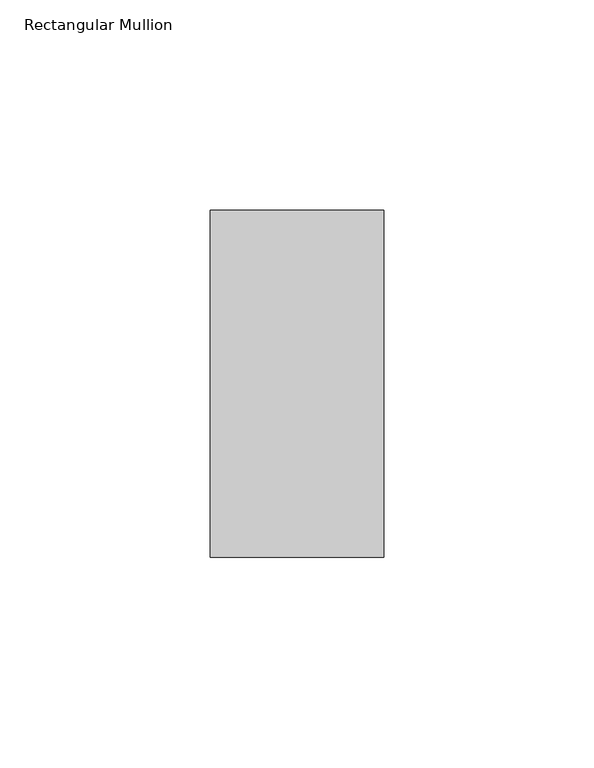
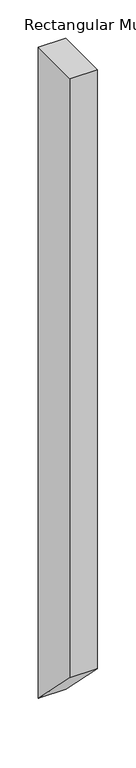
"""IFC4 building model written with IfcOpenShell, lengths in millimetres: member geometry, Rectangular Mullion."""

from ifc_helpers import new_model, si_unit, frame, origin, place, context, project, spatial, polyline, outline, extrude, source, transform, mapped, element, save


def rectangular_mullion_d2991511(model_context):
    return source(origin(), model_context, "Body", "SweptSolid", [
        extrude(outline(polyline([(-73.025, 0.0), (9.525, 0.0), (9.525, -1038.225), (-73.025, -955.675), (-73.025, 0.0)])), frame((-41.275, 0.0, 0.0), z_axis=(1.0, 0.0, 0.0), x_axis=(0.0, 1.0, 0.0)), (0.0, 0.0, 1.0), 41.275),
    ])


if __name__ == "__main__":
    model = new_model("IFC4")
    model_context = context("Model", 3, world=origin())
    ifc_project = project(units=[si_unit("LENGTHUNIT", "METRE", prefix="MILLI")], contexts=[model_context])
    site = spatial("IfcSite", under=ifc_project)
    building = spatial("IfcBuilding", under=site)
    placement = place(None, origin())
    rectangular_mullion_shape = rectangular_mullion_d2991511(model_context)
    element("IfcMember", 1, ObjectType="Rectangular Mullion", at=placement, inside=building, context=model_context, shape_type="MappedRepresentation", body=[
        mapped(rectangular_mullion_shape, transform((0.0, 0.0, 0.0), x_axis=(1.0, 0.0, 0.0), y_axis=(0.0, 1.0, 0.0), z_axis=(0.0, 0.0, 1.0))),
    ])
    save(model, "model.ifc")
